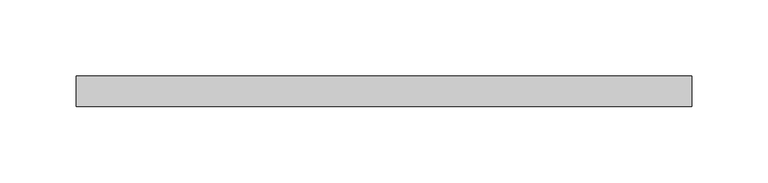
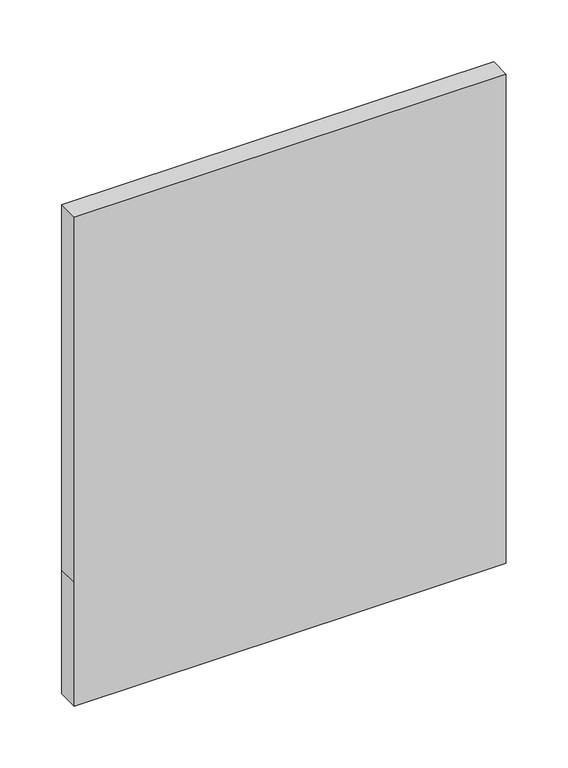
"""IFC4 building model written with IfcOpenShell, lengths in millimetres: plate geometry."""

from ifc_helpers import new_model, si_unit, frame, origin, place, context, project, spatial, polyline, outline, extrude, source, transform, mapped, element, save


def plate_a748a940(model_context):
    return source(origin(), model_context, "Body", "SweptSolid", [
        extrude(outline(polyline([(0.0, -201.8421053), (0.0, 201.8421053), (482.7375, 201.8421053), (482.7375, -201.8421053), (122.25, -201.8421053), (0.0, -201.8421053)])), frame((0.0, 70.0, 0.0), z_axis=(0.0, 1.0, 0.0), x_axis=(0.0, 0.0, 1.0)), (0.0, 0.0, 1.0), 20.0),
    ])


if __name__ == "__main__":
    model = new_model("IFC4")
    model_context = context("Model", 3, world=origin())
    ifc_project = project(units=[si_unit("LENGTHUNIT", "METRE", prefix="MILLI")], contexts=[model_context])
    site = spatial("IfcSite", under=ifc_project)
    building = spatial("IfcBuilding", under=site)
    placement = place(None, origin())
    plate_shape = plate_a748a940(model_context)
    element("IfcPlate", 1, at=placement, inside=building, context=model_context, shape_type="MappedRepresentation", body=[
        mapped(plate_shape, transform((0.0, 0.0, 0.0), x_axis=(1.0, 0.0, 0.0), y_axis=(0.0, 1.0, 0.0), z_axis=(0.0, 0.0, 1.0))),
    ])
    save(model, "model.ifc")
